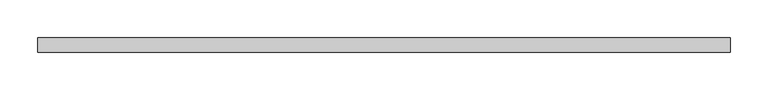
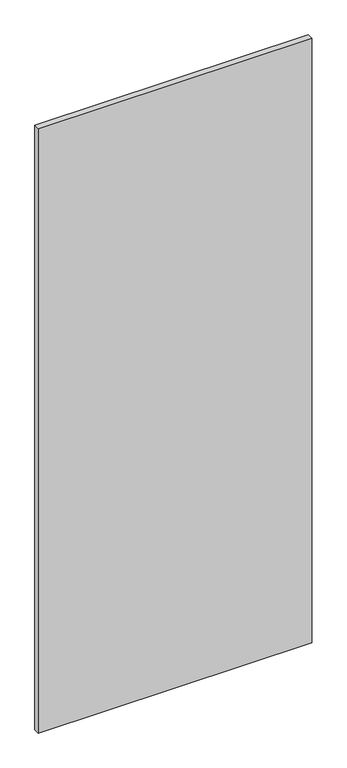
"""IFC4 building model written with IfcOpenShell, lengths in millimetres: proxy geometry."""

import ifcopenshell
import ifcopenshell.guid

model = None  # the IFC model being written
_history = None  # IfcOwnerHistory: only IFC2X3 demands one
_inside = {}  # id of a spatial element -> (the spatial element, [elements in it])
_under = {}  # id of a project, library or spatial element -> (it, [spatial elements below it])
_declared = {}  # id of a project -> (the project, [libraries it declares])
_typed = {}  # id of a type object -> (the type object, [elements of that type])
_made_of = {}  # id of a material, layer set ... -> (it, [elements and type objects made of it])


def new_model(schema):
    """Start an empty IFC model of exactly this schema.

    Asked for "IFC4X3", IfcOpenShell would pick the latest addendum, in which some entities
    have other attributes; the version numbers below select the first issue.
    IFC2X3 requires an IfcOwnerHistory on every rooted entity: one is made here for all.
    """
    global model, _history
    if schema == "IFC4X3":
        model = ifcopenshell.file(schema_version=(4, 3, 0, 0))
    else:
        model = ifcopenshell.file(schema=schema)
    _inside.clear()
    _under.clear()
    _declared.clear()
    _typed.clear()
    _made_of.clear()
    _history = None
    if model.schema == "IFC2X3":
        org = make("IfcOrganization", Name="unknown")
        user = make(
            "IfcPersonAndOrganization",
            ThePerson=make("IfcPerson", FamilyName="unknown"),
            TheOrganization=org,
        )
        app = make(
            "IfcApplication",
            ApplicationDeveloper=org,
            Version="unknown",
            ApplicationFullName="unknown",
            ApplicationIdentifier="unknown",
        )
        _history = make(
            "IfcOwnerHistory",
            OwningUser=user,
            OwningApplication=app,
            ChangeAction="ADDED",
            CreationDate=0,
        )
    return model


def make(cls, **values):
    """One entity of the class cls with the attributes given. An attribute that is None is left unset."""
    return model.create_entity(
        cls, **{name: value for name, value in values.items() if value is not None}
    )


def rooted(cls, **values):
    """An entity with a GlobalId (a new one), such as an element, a storey or a relation."""
    return make(cls, GlobalId=ifcopenshell.guid.new(), OwnerHistory=_history, **values)


def si_unit(unit_type, name, prefix=None):
    """IfcSIUnit, for example si_unit("LENGTHUNIT", "METRE", prefix="MILLI")."""
    return make("IfcSIUnit", UnitType=unit_type, Prefix=prefix, Name=name)


def assignment(units):
    """IfcUnitAssignment: the units of a project."""
    return None if units is None else make("IfcUnitAssignment", Units=units)


def point(xyz):
    """IfcCartesianPoint."""
    return None if xyz is None else make("IfcCartesianPoint", Coordinates=xyz)


def direction(xyz):
    """IfcDirection."""
    return None if xyz is None else make("IfcDirection", DirectionRatios=xyz)


def frame(location, z_axis=None, x_axis=None):
    """IfcAxis2Placement3D, a coordinate frame: its origin and axes. An axis left out is left unset."""
    return make(
        "IfcAxis2Placement3D",
        Location=point(location),
        Axis=direction(z_axis),
        RefDirection=direction(x_axis),
    )


def origin():
    """The frame at (0, 0, 0) with its axes left unset."""
    return frame((0.0, 0.0, 0.0))


def place(relative_to, where):
    """IfcLocalPlacement: puts the frame where relative to a parent placement (None: the world)."""
    return make(
        "IfcLocalPlacement", PlacementRelTo=relative_to, RelativePlacement=where
    )


def context(
    kind, dimensions, precision=None, world=None, true_north=None, identifier=None
):
    """IfcGeometricRepresentationContext, for example the 3D "Model" context."""
    return make(
        "IfcGeometricRepresentationContext",
        ContextIdentifier=identifier,
        ContextType=kind,
        CoordinateSpaceDimension=dimensions,
        Precision=precision,
        WorldCoordinateSystem=world,
        TrueNorth=true_north,
    )


def project(units=None, contexts=None):
    """IfcProject with its units and contexts."""
    return rooted(
        "IfcProject",
        Name="project",
        RepresentationContexts=contexts,
        UnitsInContext=assignment(units),
    )


def spatial(cls, under=None, at=None, **own):
    """A site, building, storey or space (cls), placed at a placement, below another one or the project."""
    s = rooted(cls, ObjectPlacement=at, **own)
    if under is not None:
        _under.setdefault(under.id(), (under, []))[1].append(s)
    return s


def polyline(points):
    """IfcPolyline through the points."""
    return make("IfcPolyline", Points=[point(p) for p in points])


def outline(outer, holes=None, kind="AREA"):
    """IfcArbitraryClosedProfileDef: a profile drawn as a closed curve; with holes, ...WithVoids."""
    if holes is None:
        return make("IfcArbitraryClosedProfileDef", ProfileType=kind, OuterCurve=outer)
    return make(
        "IfcArbitraryProfileDefWithVoids",
        ProfileType=kind,
        OuterCurve=outer,
        InnerCurves=holes,
    )


def extrude(swept, where, along, depth):
    """IfcExtrudedAreaSolid: the profile swept, set in the frame where, extruded along a direction by depth."""
    return make(
        "IfcExtrudedAreaSolid",
        SweptArea=swept,
        Position=where,
        ExtrudedDirection=direction(along),
        Depth=depth,
    )


def shape(context_of_items, identifier, shape_type, items):
    """IfcShapeRepresentation: the items that make up one representation, for example the "Body"."""
    return make(
        "IfcShapeRepresentation",
        ContextOfItems=context_of_items,
        RepresentationIdentifier=identifier,
        RepresentationType=shape_type,
        Items=items,
    )


def source(mapping_origin, context_of_items, identifier, shape_type, items):
    """IfcRepresentationMap: a shape defined once, which mapped items show again and again."""
    return make(
        "IfcRepresentationMap",
        MappingOrigin=mapping_origin,
        MappedRepresentation=shape(context_of_items, identifier, shape_type, items),
    )


def transform(
    local_origin,
    x_axis=None,
    y_axis=None,
    z_axis=None,
    scale=None,
    scale2=None,
    scale3=None,
    uniform=True,
):
    """IfcCartesianTransformationOperator3D, or its non-uniform kind. x_axis, y_axis, z_axis: its Axis1, 2, 3."""
    if uniform:
        return make(
            "IfcCartesianTransformationOperator3D",
            Axis1=direction(x_axis),
            Axis2=direction(y_axis),
            LocalOrigin=point(local_origin),
            Scale=scale,
            Axis3=direction(z_axis),
        )
    return make(
        "IfcCartesianTransformationOperator3DnonUniform",
        Axis1=direction(x_axis),
        Axis2=direction(y_axis),
        LocalOrigin=point(local_origin),
        Scale=scale,
        Axis3=direction(z_axis),
        Scale2=scale2,
        Scale3=scale3,
    )


def mapped(mapping_source, mapping_target):
    """IfcMappedItem: shows the shape of a source again, moved by a transform."""
    return make(
        "IfcMappedItem", MappingSource=mapping_source, MappingTarget=mapping_target
    )


def made_of(thing, what):
    """Note that an element or type object is made of a material, layer set ...; save() writes the relation."""
    if what is not None:
        _made_of.setdefault(what.id(), (what, []))[1].append(thing)
    return thing


def element(
    cls,
    number,
    at=None,
    inside=None,
    cuts=None,
    type_object=None,
    material=None,
    context=None,
    identifier="Body",
    shape_type=None,
    held_by="IfcProductDefinitionShape",
    body=None,
    shapes=None,
    **own,
):
    """One element of the class cls, such as IfcWall. Its Tag is "e" and its number.

    at: its placement. inside: the storey or other place that contains it. cuts: it is an
    opening in that element (IfcRelVoidsElement). A single representation is given by context,
    identifier, shape_type and body (its items); several are given by shapes. held_by: the class
    of the entity that holds the representations. save() writes the other relations.
    """
    e = rooted(cls, Tag="e%d" % number, ObjectPlacement=at, **own)
    if body is not None:
        shapes = [shape(context, identifier, shape_type, body)]
    if shapes is not None:
        e.Representation = make(held_by, Representations=shapes)
    if inside is not None:
        _inside.setdefault(inside.id(), (inside, []))[1].append(e)
    if cuts is not None:
        rooted(
            "IfcRelVoidsElement", RelatingBuildingElement=cuts, RelatedOpeningElement=e
        )
    if type_object is not None:
        _typed.setdefault(type_object.id(), (type_object, []))[1].append(e)
    return made_of(e, material)


def aggregate(whole, parts):
    """IfcRelAggregates: a whole, such as a stair, and the parts it consists of."""
    return rooted("IfcRelAggregates", RelatingObject=whole, RelatedObjects=parts)


def save(model, path):
    """Write the relations noted so far, then the file.

    IfcRelAggregates (storeys below a building ...), IfcRelContainedInSpatialStructure (elements
    in a storey), IfcRelDefinesByType, IfcRelAssociatesMaterial and IfcRelDeclares: one each for
    every whole, place, type object, material and project.
    """
    for whole, parts in _under.values():
        aggregate(whole, parts)
    for where, things in _inside.values():
        rooted(
            "IfcRelContainedInSpatialStructure",
            RelatedElements=things,
            RelatingStructure=where,
        )
    for kind, things in _typed.values():
        rooted("IfcRelDefinesByType", RelatedObjects=things, RelatingType=kind)
    for what, things in _made_of.values():
        rooted("IfcRelAssociatesMaterial", RelatedObjects=things, RelatingMaterial=what)
    for by, libraries in _declared.values():
        rooted("IfcRelDeclares", RelatingContext=by, RelatedDefinitions=libraries)
    model.write(path)


def specialty_equipment_78a0341f(model_context):
    return source(origin(), model_context, "Body", "SweptSolid", [
        extrude(outline(polyline([(455.3204, 9.525), (455.3204, -9.525), (-455.3204, -9.525), (-455.3204, 9.525), (455.3204, 9.525)])), frame((0.0, 0.0, 3.175), z_axis=(0.0, 0.0, 1.0), x_axis=(1.0, 0.0, 0.0)), (0.0, 0.0, 1.0), 2127.25),
    ])


if __name__ == "__main__":
    model = new_model("IFC4")
    model_context = context("Model", 3, world=origin())
    ifc_project = project(units=[si_unit("LENGTHUNIT", "METRE", prefix="MILLI")], contexts=[model_context])
    site = spatial("IfcSite", under=ifc_project)
    building = spatial("IfcBuilding", under=site)
    placement = place(None, origin())
    specialty_equipment_shape = specialty_equipment_78a0341f(model_context)
    element("IfcBuildingElementProxy", 1, Name="Specialty Equipment", at=placement, inside=building, context=model_context, shape_type="MappedRepresentation", body=[
        mapped(specialty_equipment_shape, transform((0.0, 0.0, 0.0), x_axis=(1.0, 0.0, 0.0), y_axis=(0.0, 1.0, 0.0), z_axis=(0.0, 0.0, 1.0))),
    ])
    save(model, "model.ifc")
